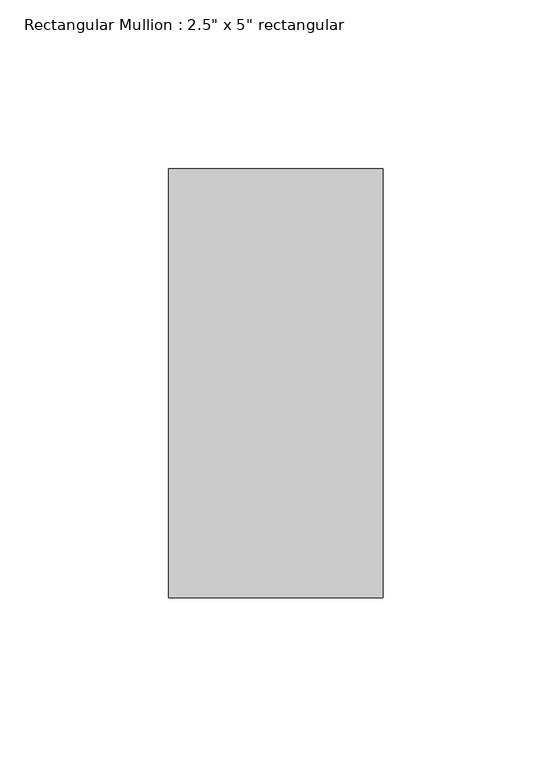
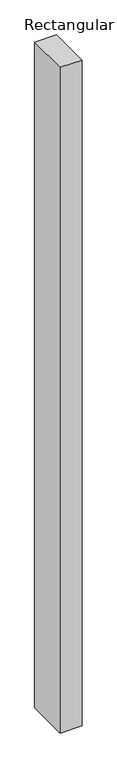
"""IFC4 building model written with IfcOpenShell, lengths in millimetres: member geometry."""

from ifc_helpers import new_model, si_unit, frame, origin, place, context, project, spatial, polyline, outline, extrude, source, transform, mapped, element, save


def member_0a82c195(model_context):
    return source(origin(), model_context, "Body", "SweptSolid", [
        extrude(outline(polyline([(0.0, 63.5), (0.0, -63.5), (-63.5, -63.5), (-63.5, 63.5), (0.0, 63.5)])), frame((0.0, 0.0, -2032.0), z_axis=(0.0, 0.0, 1.0), x_axis=(1.0, 0.0, 0.0)), (0.0, 0.0, 1.0), 2032.0),
    ])


if __name__ == "__main__":
    model = new_model("IFC4")
    model_context = context("Model", 3, world=origin())
    ifc_project = project(units=[si_unit("LENGTHUNIT", "METRE", prefix="MILLI")], contexts=[model_context])
    site = spatial("IfcSite", under=ifc_project)
    building = spatial("IfcBuilding", under=site)
    placement = place(None, origin())
    member_shape = member_0a82c195(model_context)
    element("IfcMember", 1, ObjectType="Rectangular Mullion : 2.5\" x 5\" rectangular", at=placement, inside=building, context=model_context, shape_type="MappedRepresentation", body=[
        mapped(member_shape, transform((0.0, 0.0, 0.0), x_axis=(1.0, 0.0, 0.0), y_axis=(0.0, 1.0, 0.0), z_axis=(0.0, 0.0, 1.0))),
    ])
    save(model, "model.ifc")
